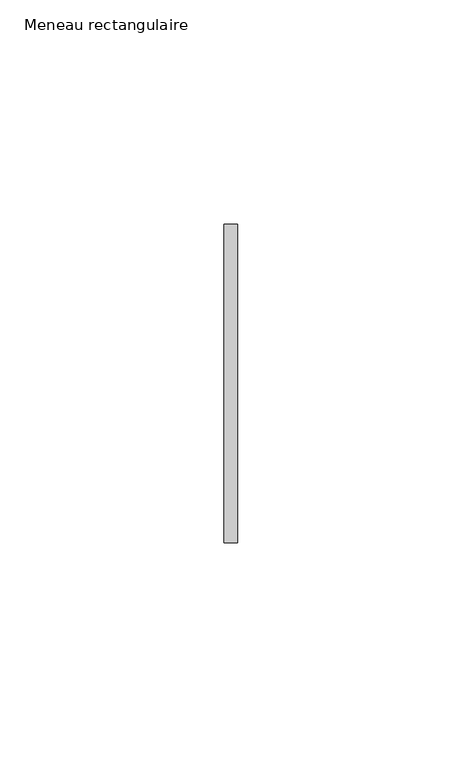
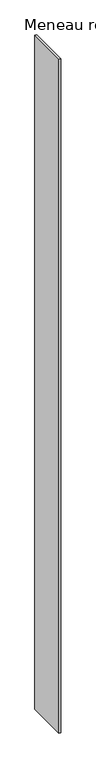
"""IFC4 building model written with IfcOpenShell, lengths in millimetres: member geometry, Meneau rectangulaire."""

from ifc_helpers import new_model, si_unit, frame, origin, place, context, project, spatial, polyline, outline, extrude, source, transform, mapped, element, save


def meneau_rectangulaire_6f6f71fd(model_context):
    return source(origin(), model_context, "Body", "SweptSolid", [
        extrude(outline(polyline([(-1.5, 35.5), (1.5, 35.5), (1.5, -35.5), (-1.5, -35.5), (-1.5, 35.5)])), frame((0.0, 0.0, -1218.0000002), z_axis=(0.0, 0.0, 1.0), x_axis=(1.0, 0.0, 0.0)), (0.0, 0.0, 1.0), 1218.0000002),
    ])


if __name__ == "__main__":
    model = new_model("IFC4")
    model_context = context("Model", 3, world=origin())
    ifc_project = project(units=[si_unit("LENGTHUNIT", "METRE", prefix="MILLI")], contexts=[model_context])
    site = spatial("IfcSite", under=ifc_project)
    building = spatial("IfcBuilding", under=site)
    placement = place(None, origin())
    meneau_rectangulaire_shape = meneau_rectangulaire_6f6f71fd(model_context)
    element("IfcMember", 1, ObjectType="Meneau rectangulaire", at=placement, inside=building, context=model_context, shape_type="MappedRepresentation", body=[
        mapped(meneau_rectangulaire_shape, transform((0.0, 0.0, 0.0), x_axis=(1.0, 0.0, 0.0), y_axis=(0.0, 1.0, 0.0), z_axis=(0.0, 0.0, 1.0))),
    ])
    save(model, "model.ifc")
